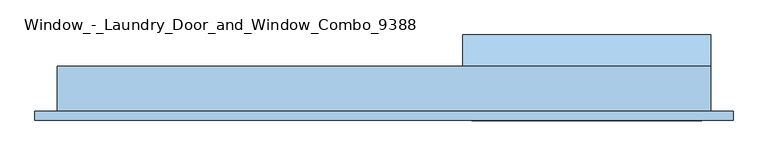
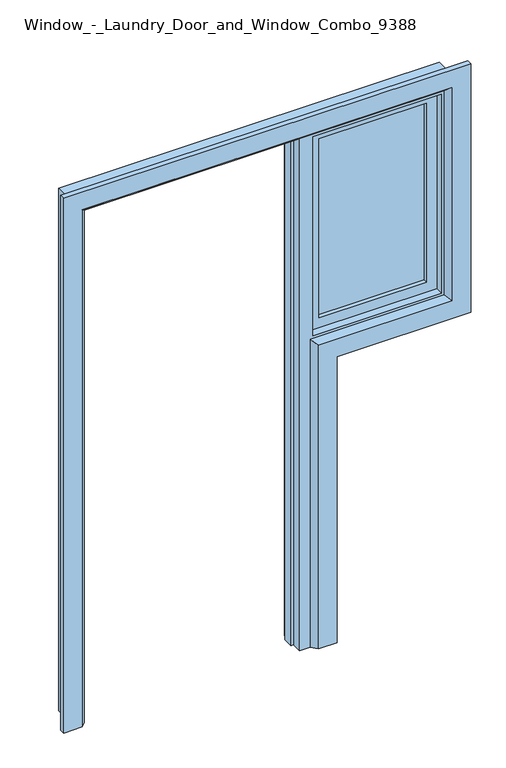
"""IFC4 building model written with IfcOpenShell, lengths in millimetres: window geometry, Window_-_Laundry_Door_and_Window_Combo_9388."""

import ifcopenshell
import ifcopenshell.guid

model = None  # the IFC model being written
_history = None  # IfcOwnerHistory: only IFC2X3 demands one
_inside = {}  # id of a spatial element -> (the spatial element, [elements in it])
_under = {}  # id of a project, library or spatial element -> (it, [spatial elements below it])
_declared = {}  # id of a project -> (the project, [libraries it declares])
_typed = {}  # id of a type object -> (the type object, [elements of that type])
_made_of = {}  # id of a material, layer set ... -> (it, [elements and type objects made of it])


def new_model(schema):
    """Start an empty IFC model of exactly this schema.

    Asked for "IFC4X3", IfcOpenShell would pick the latest addendum, in which some entities
    have other attributes; the version numbers below select the first issue.
    IFC2X3 requires an IfcOwnerHistory on every rooted entity: one is made here for all.
    """
    global model, _history
    if schema == "IFC4X3":
        model = ifcopenshell.file(schema_version=(4, 3, 0, 0))
    else:
        model = ifcopenshell.file(schema=schema)
    _inside.clear()
    _under.clear()
    _declared.clear()
    _typed.clear()
    _made_of.clear()
    _history = None
    if model.schema == "IFC2X3":
        org = make("IfcOrganization", Name="unknown")
        user = make(
            "IfcPersonAndOrganization",
            ThePerson=make("IfcPerson", FamilyName="unknown"),
            TheOrganization=org,
        )
        app = make(
            "IfcApplication",
            ApplicationDeveloper=org,
            Version="unknown",
            ApplicationFullName="unknown",
            ApplicationIdentifier="unknown",
        )
        _history = make(
            "IfcOwnerHistory",
            OwningUser=user,
            OwningApplication=app,
            ChangeAction="ADDED",
            CreationDate=0,
        )
    return model


def make(cls, **values):
    """One entity of the class cls with the attributes given. An attribute that is None is left unset."""
    return model.create_entity(
        cls, **{name: value for name, value in values.items() if value is not None}
    )


def rooted(cls, **values):
    """An entity with a GlobalId (a new one), such as an element, a storey or a relation."""
    return make(cls, GlobalId=ifcopenshell.guid.new(), OwnerHistory=_history, **values)


def si_unit(unit_type, name, prefix=None):
    """IfcSIUnit, for example si_unit("LENGTHUNIT", "METRE", prefix="MILLI")."""
    return make("IfcSIUnit", UnitType=unit_type, Prefix=prefix, Name=name)


def assignment(units):
    """IfcUnitAssignment: the units of a project."""
    return None if units is None else make("IfcUnitAssignment", Units=units)


def point(xyz):
    """IfcCartesianPoint."""
    return None if xyz is None else make("IfcCartesianPoint", Coordinates=xyz)


def direction(xyz):
    """IfcDirection."""
    return None if xyz is None else make("IfcDirection", DirectionRatios=xyz)


def frame(location, z_axis=None, x_axis=None):
    """IfcAxis2Placement3D, a coordinate frame: its origin and axes. An axis left out is left unset."""
    return make(
        "IfcAxis2Placement3D",
        Location=point(location),
        Axis=direction(z_axis),
        RefDirection=direction(x_axis),
    )


def origin():
    """The frame at (0, 0, 0) with its axes left unset."""
    return frame((0.0, 0.0, 0.0))


def place(relative_to, where):
    """IfcLocalPlacement: puts the frame where relative to a parent placement (None: the world)."""
    return make(
        "IfcLocalPlacement", PlacementRelTo=relative_to, RelativePlacement=where
    )


def context(
    kind, dimensions, precision=None, world=None, true_north=None, identifier=None
):
    """IfcGeometricRepresentationContext, for example the 3D "Model" context."""
    return make(
        "IfcGeometricRepresentationContext",
        ContextIdentifier=identifier,
        ContextType=kind,
        CoordinateSpaceDimension=dimensions,
        Precision=precision,
        WorldCoordinateSystem=world,
        TrueNorth=true_north,
    )


def project(units=None, contexts=None):
    """IfcProject with its units and contexts."""
    return rooted(
        "IfcProject",
        Name="project",
        RepresentationContexts=contexts,
        UnitsInContext=assignment(units),
    )


def spatial(cls, under=None, at=None, **own):
    """A site, building, storey or space (cls), placed at a placement, below another one or the project."""
    s = rooted(cls, ObjectPlacement=at, **own)
    if under is not None:
        _under.setdefault(under.id(), (under, []))[1].append(s)
    return s


def polyline(points):
    """IfcPolyline through the points."""
    return make("IfcPolyline", Points=[point(p) for p in points])


def outline(outer, holes=None, kind="AREA"):
    """IfcArbitraryClosedProfileDef: a profile drawn as a closed curve; with holes, ...WithVoids."""
    if holes is None:
        return make("IfcArbitraryClosedProfileDef", ProfileType=kind, OuterCurve=outer)
    return make(
        "IfcArbitraryProfileDefWithVoids",
        ProfileType=kind,
        OuterCurve=outer,
        InnerCurves=holes,
    )


def extrude(swept, where, along, depth):
    """IfcExtrudedAreaSolid: the profile swept, set in the frame where, extruded along a direction by depth."""
    return make(
        "IfcExtrudedAreaSolid",
        SweptArea=swept,
        Position=where,
        ExtrudedDirection=direction(along),
        Depth=depth,
    )


def faces_of(points, faces, orient=None, outer=None):
    """IfcFace entities. A face is a list of loops; a loop is a list of indices into points, from 0.

    orient and outer hold one flag for each loop. By default every Orientation is true, the
    first loop of a face is its IfcFaceOuterBound and the others are IfcFaceBound.
    """
    made = []
    for i, loops in enumerate(faces):
        bounds = []
        for j, loop in enumerate(loops):
            is_outer = j == 0 if outer is None else outer[i][j]
            bounds.append(
                make(
                    "IfcFaceOuterBound" if is_outer else "IfcFaceBound",
                    Bound=make("IfcPolyLoop", Polygon=[points[k] for k in loop]),
                    Orientation=True if orient is None else orient[i][j],
                )
            )
        made.append(make("IfcFace", Bounds=bounds))
    return made


def faceted_brep(points, faces, orient=None, outer=None, voids=None):
    """IfcFacetedBrep: a solid bounded by flat faces; with voids (closed shells), ...WithVoids."""
    shared = [point(p) for p in points]
    hull = make("IfcClosedShell", CfsFaces=faces_of(shared, faces, orient, outer))
    if voids is None:
        return make("IfcFacetedBrep", Outer=hull)
    return make(
        "IfcFacetedBrepWithVoids",
        Outer=hull,
        Voids=[
            make(cls, CfsFaces=faces_of(shared, fs, o, b)) for cls, fs, o, b in voids
        ],
    )


def shape(context_of_items, identifier, shape_type, items):
    """IfcShapeRepresentation: the items that make up one representation, for example the "Body"."""
    return make(
        "IfcShapeRepresentation",
        ContextOfItems=context_of_items,
        RepresentationIdentifier=identifier,
        RepresentationType=shape_type,
        Items=items,
    )


def source(mapping_origin, context_of_items, identifier, shape_type, items):
    """IfcRepresentationMap: a shape defined once, which mapped items show again and again."""
    return make(
        "IfcRepresentationMap",
        MappingOrigin=mapping_origin,
        MappedRepresentation=shape(context_of_items, identifier, shape_type, items),
    )


def transform(
    local_origin,
    x_axis=None,
    y_axis=None,
    z_axis=None,
    scale=None,
    scale2=None,
    scale3=None,
    uniform=True,
):
    """IfcCartesianTransformationOperator3D, or its non-uniform kind. x_axis, y_axis, z_axis: its Axis1, 2, 3."""
    if uniform:
        return make(
            "IfcCartesianTransformationOperator3D",
            Axis1=direction(x_axis),
            Axis2=direction(y_axis),
            LocalOrigin=point(local_origin),
            Scale=scale,
            Axis3=direction(z_axis),
        )
    return make(
        "IfcCartesianTransformationOperator3DnonUniform",
        Axis1=direction(x_axis),
        Axis2=direction(y_axis),
        LocalOrigin=point(local_origin),
        Scale=scale,
        Axis3=direction(z_axis),
        Scale2=scale2,
        Scale3=scale3,
    )


def mapped(mapping_source, mapping_target):
    """IfcMappedItem: shows the shape of a source again, moved by a transform."""
    return make(
        "IfcMappedItem", MappingSource=mapping_source, MappingTarget=mapping_target
    )


def made_of(thing, what):
    """Note that an element or type object is made of a material, layer set ...; save() writes the relation."""
    if what is not None:
        _made_of.setdefault(what.id(), (what, []))[1].append(thing)
    return thing


def element(
    cls,
    number,
    at=None,
    inside=None,
    cuts=None,
    type_object=None,
    material=None,
    context=None,
    identifier="Body",
    shape_type=None,
    held_by="IfcProductDefinitionShape",
    body=None,
    shapes=None,
    **own,
):
    """One element of the class cls, such as IfcWall. Its Tag is "e" and its number.

    at: its placement. inside: the storey or other place that contains it. cuts: it is an
    opening in that element (IfcRelVoidsElement). A single representation is given by context,
    identifier, shape_type and body (its items); several are given by shapes. held_by: the class
    of the entity that holds the representations. save() writes the other relations.
    """
    e = rooted(cls, Tag="e%d" % number, ObjectPlacement=at, **own)
    if body is not None:
        shapes = [shape(context, identifier, shape_type, body)]
    if shapes is not None:
        e.Representation = make(held_by, Representations=shapes)
    if inside is not None:
        _inside.setdefault(inside.id(), (inside, []))[1].append(e)
    if cuts is not None:
        rooted(
            "IfcRelVoidsElement", RelatingBuildingElement=cuts, RelatedOpeningElement=e
        )
    if type_object is not None:
        _typed.setdefault(type_object.id(), (type_object, []))[1].append(e)
    return made_of(e, material)


def aggregate(whole, parts):
    """IfcRelAggregates: a whole, such as a stair, and the parts it consists of."""
    return rooted("IfcRelAggregates", RelatingObject=whole, RelatedObjects=parts)


def save(model, path):
    """Write the relations noted so far, then the file.

    IfcRelAggregates (storeys below a building ...), IfcRelContainedInSpatialStructure (elements
    in a storey), IfcRelDefinesByType, IfcRelAssociatesMaterial and IfcRelDeclares: one each for
    every whole, place, type object, material and project.
    """
    for whole, parts in _under.values():
        aggregate(whole, parts)
    for where, things in _inside.values():
        rooted(
            "IfcRelContainedInSpatialStructure",
            RelatedElements=things,
            RelatingStructure=where,
        )
    for kind, things in _typed.values():
        rooted("IfcRelDefinesByType", RelatedObjects=things, RelatingType=kind)
    for what, things in _made_of.values():
        rooted("IfcRelAssociatesMaterial", RelatedObjects=things, RelatingMaterial=what)
    for by, libraries in _declared.values():
        rooted("IfcRelDeclares", RelatingContext=by, RelatedDefinitions=libraries)
    model.write(path)


def window_laundry_door_and_window_combo_9388_8579c1b5(model_context):
    return source(origin(), model_context, "Body", "SolidModel", [
        extrude(outline(polyline([(120.0, 1159.5854812), (65.0, 1064.3226867), (50.0, 1072.9829408), (50.0, 1200.0), (120.0, 1159.5854812)])), frame((-100.0, 0.0, 0.0), z_axis=(1.0, 0.0, 0.0), x_axis=(0.0, 1.0, 0.0)), (0.0, 0.0, 1.0), 550.0),
        extrude(outline(polyline([(1240.0, -100.0), (1240.0, 410.0), (2060.0, 410.0), (2060.0, -100.0), (1240.0, -100.0)]), holes=[polyline([(2010.0, -50.0), (2010.0, 360.0), (1290.0, 360.0), (1290.0, -50.0), (2010.0, -50.0)])]), frame((0.0, -20.0, 0.0), z_axis=(0.0, 1.0, 0.0), x_axis=(0.0, 0.0, 1.0)), (0.0, 0.0, 1.0), 40.0),
        extrude(outline(polyline([(360.0, -5.0), (-50.0, -5.0), (-50.0, 5.0), (360.0, 5.0), (360.0, -5.0)])), frame((0.0, 0.0, 1290.0), z_axis=(0.0, 0.0, 1.0), x_axis=(1.0, 0.0, 0.0)), (0.0, 0.0, 1.0), 720.0),
        faceted_brep([(-100.0, -50.0, 1200.0), (450.0, -50.0, 1200.0), (450.0, -50.0, 2100.0), (-1000.0, -50.0, 2100.0), (-1000.0, -50.0, 0.0), (-960.0, -50.0, 0.0), (-960.0, -50.0, 2060.0), (-140.0, -50.0, 2060.0), (-140.0, -50.0, 0.0), (-100.0, -50.0, 0.0), (-90.0, -50.0, 1250.0), (-90.0, -50.0, 2050.0), (400.0, -50.0, 2050.0), (400.0, -50.0, 1250.0), (-100.0, 50.0, 1200.0), (450.0, 50.0, 1200.0), (450.0, 50.0, 2100.0), (-1000.0, 50.0, 2100.0), (-1000.0, 50.0, 0.0), (-960.0, 50.0, 0.0), (-960.0, 30.0, 0.0), (-950.0, 30.0, 0.0), (-950.0, -10.0, 0.0), (-960.0, -10.0, 0.0), (-960.0, -10.0, 2060.0), (-960.0, 50.0, 2060.0), (-960.0, 30.0, 2060.0), (-140.0, -10.0, 2060.0), (-140.0, -10.0, 0.0), (-140.0, 50.0, 2060.0), (-140.0, 50.0, 0.0), (-140.0, 30.0, 0.0), (-140.0, 30.0, 2060.0), (-150.0, -10.0, 0.0), (-150.0, 30.0, 0.0), (-100.0, 50.0, 0.0), (-100.0, 50.0, 1240.0), (-100.0, 50.0, 2060.0), (-100.0, -20.0, 2060.0), (-100.0, -20.0, 1240.0), (-90.0, -20.0, 2050.0), (-90.0, -20.0, 1250.0), (400.0, -20.0, 1250.0), (400.0, -20.0, 2050.0), (410.0, 50.0, 1240.0), (410.0, 50.0, 2060.0), (410.0, -20.0, 1240.0), (410.0, -20.0, 2060.0), (-150.0, 30.0, 2050.0), (-950.0, 30.0, 2050.0), (-950.0, -10.0, 2050.0), (-150.0, -10.0, 2050.0)], [[[0, 1, 2, 3, 4, 5, 6, 7, 8, 9], [10, 11, 12, 13]], [[1, 0, 14, 15]], [[2, 1, 15, 16]], [[4, 3, 17, 18]], [[5, 4, 18, 19, 20, 21, 22, 23]], [[6, 5, 23, 24]], [[19, 25, 26, 20]], [[8, 7, 27, 28]], [[29, 30, 31, 32]], [[9, 8, 28, 33, 34, 31, 30, 35]], [[9, 35, 14, 0]], [[36, 37, 38, 39]], [[40, 11, 10, 41]], [[42, 13, 12, 43]], [[41, 10, 13, 42]], [[25, 19, 18, 17, 16, 15, 14, 35, 30, 29], [36, 44, 45, 37]], [[44, 36, 39, 46]], [[46, 39, 38, 47], [40, 41, 42, 43]], [[45, 44, 46, 47]], [[31, 34, 48, 49, 21, 20, 26, 32]], [[50, 22, 21, 49]], [[33, 28, 27, 24, 23, 22, 50, 51]], [[34, 33, 51, 48]], [[7, 6, 24, 27]], [[37, 45, 47, 38]], [[25, 29, 32, 26]], [[3, 2, 16, 17]], [[11, 40, 43, 12]], [[51, 50, 49, 48]]]),
        faceted_brep([(-10.0, -70.0, 0.0), (-80.0, -70.0, 0.0), (-100.0, -50.0, 0.0), (-10.0, -50.0, 0.0), (-10.0, -70.0, 1150.0), (500.0, -70.0, 1150.0), (500.0, -70.0, 2150.0), (-1050.0, -70.0, 2150.0), (-1050.0, -70.0, 0.0), (-980.0, -70.0, 0.0), (-980.0, -70.0, 2080.0), (430.0, -70.0, 2080.0), (430.0, -70.0, 1220.0), (-80.0, -70.0, 1220.0), (-100.0, -50.0, 1240.0), (410.0, -50.0, 1240.0), (410.0, -50.0, 2060.0), (-960.0, -50.0, 2060.0), (-960.0, -50.0, 0.0), (-1050.0, -50.0, 0.0), (-1050.0, -50.0, 2150.0), (500.0, -50.0, 2150.0), (500.0, -50.0, 1150.0), (-10.0, -50.0, 1150.0)], [[[0, 1, 2, 3]], [[1, 0, 4, 5, 6, 7, 8, 9, 10, 11, 12, 13]], [[2, 1, 13, 14]], [[3, 2, 14, 15, 16, 17, 18, 19, 20, 21, 22, 23]], [[0, 3, 23, 4]], [[4, 23, 22, 5]], [[5, 22, 21, 6]], [[7, 20, 19, 8]], [[8, 19, 18, 9]], [[17, 10, 9, 18]], [[15, 12, 11, 16]], [[14, 13, 12, 15]], [[16, 11, 10, 17]], [[6, 21, 20, 7]]]),
    ])


if __name__ == "__main__":
    model = new_model("IFC4")
    model_context = context("Model", 3, world=origin())
    ifc_project = project(units=[si_unit("LENGTHUNIT", "METRE", prefix="MILLI")], contexts=[model_context])
    site = spatial("IfcSite", under=ifc_project)
    building = spatial("IfcBuilding", under=site)
    placement = place(None, origin())
    window_laundry_door_and_window_combo_9388_shape = window_laundry_door_and_window_combo_9388_8579c1b5(model_context)
    element("IfcWindow", 1, ObjectType="Window_-_Laundry_Door_and_Window_Combo_9388", at=placement, inside=building, context=model_context, shape_type="MappedRepresentation", body=[
        mapped(window_laundry_door_and_window_combo_9388_shape, transform((0.0, 0.0, 0.0), x_axis=(1.0, 0.0, 0.0), y_axis=(0.0, 1.0, 0.0), z_axis=(0.0, 0.0, 1.0))),
    ])
    save(model, "model.ifc")
